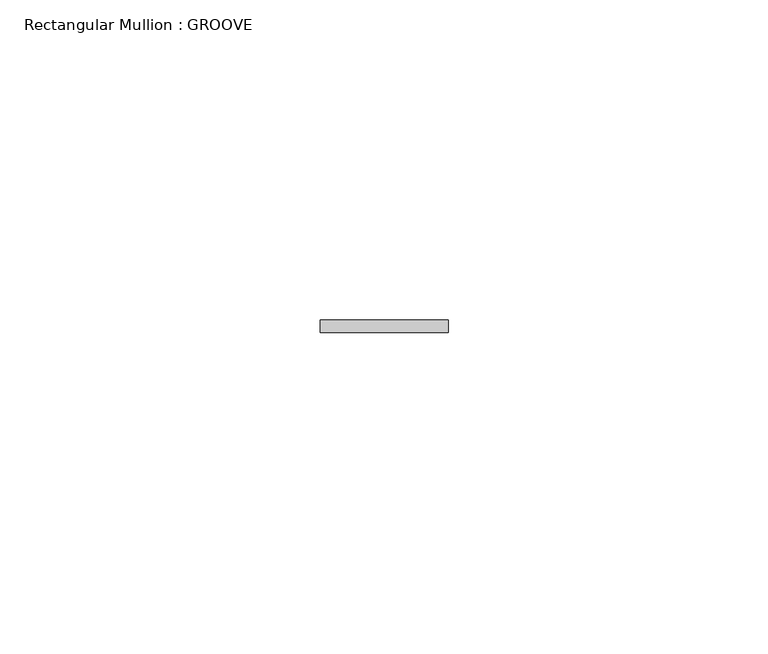
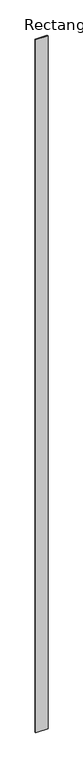
"""IFC4 building model written with IfcOpenShell, lengths in millimetres: member geometry, Rectangular Mullion : GROOVE."""

from ifc_helpers import new_model, si_unit, frame, origin, place, context, project, spatial, polyline, outline, extrude, source, transform, mapped, element, save


def rectangular_mullion_groove_1b6ef102(model_context):
    return source(origin(), model_context, "Body", "SweptSolid", [
        extrude(outline(polyline([(10.0, 51.0), (10.0, 49.0), (-10.0, 49.0), (-10.0, 51.0), (10.0, 51.0)])), frame((0.0, 0.0, -1200.0), z_axis=(0.0, 0.0, 1.0), x_axis=(1.0, 0.0, 0.0)), (0.0, 0.0, 1.0), 1200.0),
    ])


if __name__ == "__main__":
    model = new_model("IFC4")
    model_context = context("Model", 3, world=origin())
    ifc_project = project(units=[si_unit("LENGTHUNIT", "METRE", prefix="MILLI")], contexts=[model_context])
    site = spatial("IfcSite", under=ifc_project)
    building = spatial("IfcBuilding", under=site)
    placement = place(None, origin())
    rectangular_mullion_groove_shape = rectangular_mullion_groove_1b6ef102(model_context)
    element("IfcMember", 1, ObjectType="Rectangular Mullion : GROOVE", at=placement, inside=building, context=model_context, shape_type="MappedRepresentation", body=[
        mapped(rectangular_mullion_groove_shape, transform((0.0, 0.0, 0.0), x_axis=(1.0, 0.0, 0.0), y_axis=(0.0, 1.0, 0.0), z_axis=(0.0, 0.0, 1.0))),
    ])
    save(model, "model.ifc")
